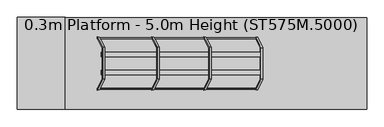
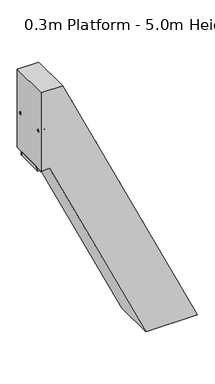
"""IFC4 building model written with IfcOpenShell, lengths in millimetres: proxy geometry, 0.3m Platform - 5.0m Height (ST575M.5000)."""

from ifc_helpers import new_model, si_unit, point, frame, frame_2d, origin, origin_with_axes, place, context, project, spatial, polyline, circle_curve, ellipse_curve, trimmed, segment, composite_curve, outline, extrude, source, transform, mapped, element, save
from ifc_brep_helpers import plane_surface, cylinder_surface, advanced_brep


def proxy_0_3m_platform_5_0m_height_st575m_5000_e23f8f6b(model_context):
    return source(origin(), model_context, "Body", "SolidModel", [
        extrude(outline(polyline([(4750.0, 12.5738111), (4670.0, 49.8784187), (4670.0, 160.2162158), (4750.0, 122.9116031), (4750.0, 12.5738111)])), frame((0.0, 298.5, 0.0), z_axis=(0.0, 1.0, 0.0), x_axis=(0.0, 0.0, 1.0)), (0.0, 0.0, 1.0), 6.0),
        extrude(outline(polyline([(4750.0, 12.5738111), (4670.0, 49.8784187), (4670.0, 160.2162158), (4750.0, 122.9116031), (4750.0, 12.5738111)])), frame((0.0, -304.5, 0.0), z_axis=(0.0, 1.0, 0.0), x_axis=(0.0, 0.0, 1.0)), (0.0, 0.0, 1.0), 6.0),
        extrude(outline(polyline([(4750.0, 19.7457674), (4712.0999991, 37.4188256), (4712.0999991, 39.6255814), (4747.0, 23.351446), (4747.0, 122.1037703), (4712.0999991, 138.3779079), (4712.0999991, 140.5846638), (4750.0, 122.9116031), (4750.0, 102.483862), (4749.2749538, 102.1457674), (4750.0, 101.8076728), (4750.0, 81.883862), (4749.2749538, 81.5457674), (4750.0, 81.2076728), (4750.0, 61.283862), (4749.2749538, 60.9457674), (4750.0, 60.6076728), (4750.0, 40.683862), (4749.2749538, 40.3457674), (4750.0, 40.0076728), (4750.0, 19.7457674)])), frame((0.0, -298.5, 0.0), z_axis=(0.0, 1.0, 0.0), x_axis=(0.0, 0.0, 1.0)), (0.0, 0.0, 1.0), 597.0),
        extrude(outline(polyline([(4500.0, 129.1524104), (4420.0, 166.457018), (4420.0, 276.7948151), (4500.0, 239.4902024), (4500.0, 129.1524104)])), frame((0.0, 298.5, 0.0), z_axis=(0.0, 1.0, 0.0), x_axis=(0.0, 0.0, 1.0)), (0.0, 0.0, 1.0), 6.0),
        extrude(outline(polyline([(4500.0, 129.1524104), (4420.0, 166.457018), (4420.0, 276.7948151), (4500.0, 239.4902024), (4500.0, 129.1524104)])), frame((0.0, -304.5, 0.0), z_axis=(0.0, 1.0, 0.0), x_axis=(0.0, 0.0, 1.0)), (0.0, 0.0, 1.0), 6.0),
        extrude(outline(polyline([(4500.0, 136.3243667), (4462.0999991, 153.9974249), (4462.0999991, 156.2041807), (4497.0, 139.9300453), (4497.0, 238.6823695), (4462.0999991, 254.9565072), (4462.0999991, 257.1632631), (4500.0, 239.4902024), (4500.0, 219.0624613), (4499.2749538, 218.7243667), (4500.0, 218.3862721), (4500.0, 198.4624613), (4499.2749538, 198.1243667), (4500.0, 197.7862721), (4500.0, 177.8624613), (4499.2749538, 177.5243667), (4500.0, 177.1862721), (4500.0, 157.2624613), (4499.2749538, 156.9243667), (4500.0, 156.5862721), (4500.0, 136.3243667)])), frame((0.0, -298.5, 0.0), z_axis=(0.0, 1.0, 0.0), x_axis=(0.0, 0.0, 1.0)), (0.0, 0.0, 1.0), 597.0),
        extrude(outline(polyline([(4250.0, 245.7310097), (4170.0, 283.0356173), (4170.0, 393.3734144), (4250.0, 356.0688017), (4250.0, 245.7310097)])), frame((0.0, 298.5, 0.0), z_axis=(0.0, 1.0, 0.0), x_axis=(0.0, 0.0, 1.0)), (0.0, 0.0, 1.0), 6.0),
        extrude(outline(polyline([(4250.0, 245.7310097), (4170.0, 283.0356173), (4170.0, 393.3734144), (4250.0, 356.0688017), (4250.0, 245.7310097)])), frame((0.0, -304.5, 0.0), z_axis=(0.0, 1.0, 0.0), x_axis=(0.0, 0.0, 1.0)), (0.0, 0.0, 1.0), 6.0),
        extrude(outline(polyline([(4250.0, 252.902966), (4212.0999991, 270.5760242), (4212.0999991, 272.78278), (4247.0, 256.5086445), (4247.0, 355.2609688), (4212.0999991, 371.5351065), (4212.0999991, 373.7418623), (4250.0, 356.0688017), (4250.0, 335.6410605), (4249.2749538, 335.302966), (4250.0, 334.9648714), (4250.0, 315.0410605), (4249.2749538, 314.702966), (4250.0, 314.3648714), (4250.0, 294.4410605), (4249.2749538, 294.102966), (4250.0, 293.7648714), (4250.0, 273.8410605), (4249.2749538, 273.502966), (4250.0, 273.1648714), (4250.0, 252.902966)])), frame((0.0, -298.5, 0.0), z_axis=(0.0, 1.0, 0.0), x_axis=(0.0, 0.0, 1.0)), (0.0, 0.0, 1.0), 597.0),
        extrude(outline(polyline([(4000.0, 362.309609), (3920.0, 399.6142166), (3920.0, 509.9520136), (4000.0, 472.647401), (4000.0, 362.309609)])), frame((0.0, 298.5, 0.0), z_axis=(0.0, 1.0, 0.0), x_axis=(0.0, 0.0, 1.0)), (0.0, 0.0, 1.0), 6.0),
        extrude(outline(polyline([(4000.0, 362.309609), (3920.0, 399.6142166), (3920.0, 509.9520136), (4000.0, 472.647401), (4000.0, 362.309609)])), frame((0.0, -304.5, 0.0), z_axis=(0.0, 1.0, 0.0), x_axis=(0.0, 0.0, 1.0)), (0.0, 0.0, 1.0), 6.0),
        extrude(outline(polyline([(4000.0, 369.4815653), (3962.0999991, 387.1546235), (3962.0999991, 389.3613793), (3997.0, 373.0872438), (3997.0, 471.8395681), (3962.0999991, 488.1137058), (3962.0999991, 490.3204616), (4000.0, 472.647401), (4000.0, 452.2196598), (3999.2749538, 451.8815653), (4000.0, 451.5434707), (4000.0, 431.6196598), (3999.2749538, 431.2815653), (4000.0, 430.9434707), (4000.0, 411.0196598), (3999.2749538, 410.6815653), (4000.0, 410.3434707), (4000.0, 390.4196598), (3999.2749538, 390.0815653), (4000.0, 389.7434707), (4000.0, 369.4815653)])), frame((0.0, -298.5, 0.0), z_axis=(0.0, 1.0, 0.0), x_axis=(0.0, 0.0, 1.0)), (0.0, 0.0, 1.0), 597.0),
        extrude(outline(polyline([(3750.0, 478.8882083), (3670.0, 516.1928159), (3670.0, 626.5306129), (3750.0, 589.2260003), (3750.0, 478.8882083)])), frame((0.0, 298.5, 0.0), z_axis=(0.0, 1.0, 0.0), x_axis=(0.0, 0.0, 1.0)), (0.0, 0.0, 1.0), 6.0),
        extrude(outline(polyline([(3750.0, 478.8882083), (3670.0, 516.1928159), (3670.0, 626.5306129), (3750.0, 589.2260003), (3750.0, 478.8882083)])), frame((0.0, -304.5, 0.0), z_axis=(0.0, 1.0, 0.0), x_axis=(0.0, 0.0, 1.0)), (0.0, 0.0, 1.0), 6.0),
        extrude(outline(polyline([(3750.0, 486.0601646), (3712.0999991, 503.7332228), (3712.0999991, 505.9399786), (3747.0, 489.6658431), (3747.0, 588.4181674), (3712.0999991, 604.6923051), (3712.0999991, 606.8990609), (3750.0, 589.2260003), (3750.0, 568.7982591), (3749.2749538, 568.4601646), (3750.0, 568.12207), (3750.0, 548.1982591), (3749.2749538, 547.8601646), (3750.0, 547.52207), (3750.0, 527.5982591), (3749.2749538, 527.2601646), (3750.0, 526.92207), (3750.0, 506.9982591), (3749.2749538, 506.6601646), (3750.0, 506.32207), (3750.0, 486.0601646)])), frame((0.0, -298.5, 0.0), z_axis=(0.0, 1.0, 0.0), x_axis=(0.0, 0.0, 1.0)), (0.0, 0.0, 1.0), 597.0),
        extrude(outline(polyline([(3500.0, 595.4668075), (3420.0, 632.7714151), (3420.0, 743.1092122), (3500.0, 705.8045996), (3500.0, 595.4668075)])), frame((0.0, 298.5, 0.0), z_axis=(0.0, 1.0, 0.0), x_axis=(0.0, 0.0, 1.0)), (0.0, 0.0, 1.0), 6.0),
        extrude(outline(polyline([(3500.0, 595.4668075), (3420.0, 632.7714151), (3420.0, 743.1092122), (3500.0, 705.8045996), (3500.0, 595.4668075)])), frame((0.0, -304.5, 0.0), z_axis=(0.0, 1.0, 0.0), x_axis=(0.0, 0.0, 1.0)), (0.0, 0.0, 1.0), 6.0),
        extrude(outline(polyline([(3500.0, 602.6387638), (3462.0999991, 620.3118221), (3462.0999991, 622.5185779), (3497.0, 606.2444424), (3497.0, 704.9967667), (3462.0999991, 721.2709044), (3462.0999991, 723.4776602), (3500.0, 705.8045996), (3500.0, 685.3768584), (3499.2749538, 685.0387638), (3500.0, 684.7006693), (3500.0, 664.7768584), (3499.2749538, 664.4387638), (3500.0, 664.1006693), (3500.0, 644.1768584), (3499.2749538, 643.8387638), (3500.0, 643.5006693), (3500.0, 623.5768584), (3499.2749538, 623.2387638), (3500.0, 622.9006693), (3500.0, 602.6387638)])), frame((0.0, -298.5, 0.0), z_axis=(0.0, 1.0, 0.0), x_axis=(0.0, 0.0, 1.0)), (0.0, 0.0, 1.0), 597.0),
        extrude(outline(polyline([(3250.0, 712.0454068), (3170.0, 749.3500144), (3170.0, 859.6878115), (3250.0, 822.3831988), (3250.0, 712.0454068)])), frame((0.0, 298.5, 0.0), z_axis=(0.0, 1.0, 0.0), x_axis=(0.0, 0.0, 1.0)), (0.0, 0.0, 1.0), 6.0),
        extrude(outline(polyline([(3250.0, 712.0454068), (3170.0, 749.3500144), (3170.0, 859.6878115), (3250.0, 822.3831988), (3250.0, 712.0454068)])), frame((0.0, -304.5, 0.0), z_axis=(0.0, 1.0, 0.0), x_axis=(0.0, 0.0, 1.0)), (0.0, 0.0, 1.0), 6.0),
        extrude(outline(polyline([(3250.0, 719.2173631), (3212.0999991, 736.8904214), (3212.0999991, 739.0971772), (3247.0, 722.8230417), (3247.0, 821.575366), (3212.0999991, 837.8495037), (3212.0999991, 840.0562595), (3250.0, 822.3831988), (3250.0, 801.9554577), (3249.2749538, 801.6173631), (3250.0, 801.2792686), (3250.0, 781.3554577), (3249.2749538, 781.0173631), (3250.0, 780.6792686), (3250.0, 760.7554577), (3249.2749538, 760.4173631), (3250.0, 760.0792686), (3250.0, 740.1554577), (3249.2749538, 739.8173631), (3250.0, 739.4792686), (3250.0, 719.2173631)])), frame((0.0, -298.5, 0.0), z_axis=(0.0, 1.0, 0.0), x_axis=(0.0, 0.0, 1.0)), (0.0, 0.0, 1.0), 597.0),
        extrude(outline(polyline([(3000.0, 828.6240061), (2920.0, 865.9286137), (2920.0, 976.2664108), (3000.0, 938.9617981), (3000.0, 828.6240061)])), frame((0.0, 298.5, 0.0), z_axis=(0.0, 1.0, 0.0), x_axis=(0.0, 0.0, 1.0)), (0.0, 0.0, 1.0), 6.0),
        extrude(outline(polyline([(3000.0, 828.6240061), (2920.0, 865.9286137), (2920.0, 976.2664108), (3000.0, 938.9617981), (3000.0, 828.6240061)])), frame((0.0, -304.5, 0.0), z_axis=(0.0, 1.0, 0.0), x_axis=(0.0, 0.0, 1.0)), (0.0, 0.0, 1.0), 6.0),
        extrude(outline(polyline([(3000.0, 835.7959624), (2962.0999991, 853.4690207), (2962.0999991, 855.6757764), (2997.0, 839.401641), (2997.0, 938.1539653), (2962.0999991, 954.4281029), (2962.0999991, 956.6348588), (3000.0, 938.9617981), (3000.0, 918.534057), (2999.2749538, 918.1959624), (3000.0, 917.8578678), (3000.0, 897.934057), (2999.2749538, 897.5959624), (3000.0, 897.2578678), (3000.0, 877.334057), (2999.2749538, 876.9959624), (3000.0, 876.6578678), (3000.0, 856.734057), (2999.2749538, 856.3959624), (3000.0, 856.0578678), (3000.0, 835.7959624)])), frame((0.0, -298.5, 0.0), z_axis=(0.0, 1.0, 0.0), x_axis=(0.0, 0.0, 1.0)), (0.0, 0.0, 1.0), 597.0),
        extrude(outline(polyline([(2750.0, 945.2026054), (2670.0, 982.507213), (2670.0, 1092.8450101), (2750.0, 1055.5403974), (2750.0, 945.2026054)])), frame((0.0, 298.5, 0.0), z_axis=(0.0, 1.0, 0.0), x_axis=(0.0, 0.0, 1.0)), (0.0, 0.0, 1.0), 6.0),
        extrude(outline(polyline([(2750.0, 945.2026054), (2670.0, 982.507213), (2670.0, 1092.8450101), (2750.0, 1055.5403974), (2750.0, 945.2026054)])), frame((0.0, -304.5, 0.0), z_axis=(0.0, 1.0, 0.0), x_axis=(0.0, 0.0, 1.0)), (0.0, 0.0, 1.0), 6.0),
        extrude(outline(polyline([(2750.0, 952.3745617), (2712.0999991, 970.0476199), (2712.0999991, 972.2543757), (2747.0, 955.9802403), (2747.0, 1054.7325646), (2712.0999991, 1071.0067022), (2712.0999991, 1073.2134581), (2750.0, 1055.5403974), (2750.0, 1035.1126563), (2749.2749538, 1034.7745617), (2750.0, 1034.4364671), (2750.0, 1014.5126563), (2749.2749538, 1014.1745617), (2750.0, 1013.8364671), (2750.0, 993.9126563), (2749.2749538, 993.5745617), (2750.0, 993.2364671), (2750.0, 973.3126563), (2749.2749538, 972.9745617), (2750.0, 972.6364671), (2750.0, 952.3745617)])), frame((0.0, -298.5, 0.0), z_axis=(0.0, 1.0, 0.0), x_axis=(0.0, 0.0, 1.0)), (0.0, 0.0, 1.0), 597.0),
        extrude(outline(polyline([(2500.0, 1061.7812047), (2420.0, 1099.0858123), (2420.0, 1209.4236094), (2500.0, 1172.1189967), (2500.0, 1061.7812047)])), frame((0.0, 298.5, 0.0), z_axis=(0.0, 1.0, 0.0), x_axis=(0.0, 0.0, 1.0)), (0.0, 0.0, 1.0), 6.0),
        extrude(outline(polyline([(2500.0, 1061.7812047), (2420.0, 1099.0858123), (2420.0, 1209.4236094), (2500.0, 1172.1189967), (2500.0, 1061.7812047)])), frame((0.0, -304.5, 0.0), z_axis=(0.0, 1.0, 0.0), x_axis=(0.0, 0.0, 1.0)), (0.0, 0.0, 1.0), 6.0),
        extrude(outline(polyline([(2500.0, 1068.953161), (2462.0999991, 1086.6262192), (2462.0999991, 1088.832975), (2497.0, 1072.5588396), (2497.0, 1171.3111638), (2462.0999991, 1187.5853015), (2462.0999991, 1189.7920574), (2500.0, 1172.1189967), (2500.0, 1151.6912556), (2499.2749538, 1151.353161), (2500.0, 1151.0150664), (2500.0, 1131.0912556), (2499.2749538, 1130.753161), (2500.0, 1130.4150664), (2500.0, 1110.4912556), (2499.2749538, 1110.153161), (2500.0, 1109.8150664), (2500.0, 1089.8912556), (2499.2749538, 1089.553161), (2500.0, 1089.2150664), (2500.0, 1068.953161)])), frame((0.0, -298.5, 0.0), z_axis=(0.0, 1.0, 0.0), x_axis=(0.0, 0.0, 1.0)), (0.0, 0.0, 1.0), 597.0),
        extrude(outline(polyline([(2250.0, 1178.359804), (2170.0, 1215.6644116), (2170.0, 1326.0022087), (2250.0, 1288.697596), (2250.0, 1178.359804)])), frame((0.0, 298.5, 0.0), z_axis=(0.0, 1.0, 0.0), x_axis=(0.0, 0.0, 1.0)), (0.0, 0.0, 1.0), 6.0),
        extrude(outline(polyline([(2250.0, 1178.359804), (2170.0, 1215.6644116), (2170.0, 1326.0022087), (2250.0, 1288.697596), (2250.0, 1178.359804)])), frame((0.0, -304.5, 0.0), z_axis=(0.0, 1.0, 0.0), x_axis=(0.0, 0.0, 1.0)), (0.0, 0.0, 1.0), 6.0),
        extrude(outline(polyline([(2250.0, 1185.5317603), (2212.0999991, 1203.2048185), (2212.0999991, 1205.4115743), (2247.0, 1189.1374388), (2247.0, 1287.8897631), (2212.0999991, 1304.1639008), (2212.0999991, 1306.3706566), (2250.0, 1288.697596), (2250.0, 1268.2698548), (2249.2749538, 1267.9317603), (2250.0, 1267.5936657), (2250.0, 1247.6698548), (2249.2749538, 1247.3317603), (2250.0, 1246.9936657), (2250.0, 1227.0698548), (2249.2749538, 1226.7317603), (2250.0, 1226.3936657), (2250.0, 1206.4698548), (2249.2749538, 1206.1317603), (2250.0, 1205.7936657), (2250.0, 1185.5317603)])), frame((0.0, -298.5, 0.0), z_axis=(0.0, 1.0, 0.0), x_axis=(0.0, 0.0, 1.0)), (0.0, 0.0, 1.0), 597.0),
        extrude(outline(polyline([(2000.0, 1294.9384033), (1920.0, 1332.2430109), (1920.0, 1442.5808079), (2000.0, 1405.2761953), (2000.0, 1294.9384033)])), frame((0.0, 298.5, 0.0), z_axis=(0.0, 1.0, 0.0), x_axis=(0.0, 0.0, 1.0)), (0.0, 0.0, 1.0), 6.0),
        extrude(outline(polyline([(2000.0, 1294.9384033), (1920.0, 1332.2430109), (1920.0, 1442.5808079), (2000.0, 1405.2761953), (2000.0, 1294.9384033)])), frame((0.0, -304.5, 0.0), z_axis=(0.0, 1.0, 0.0), x_axis=(0.0, 0.0, 1.0)), (0.0, 0.0, 1.0), 6.0),
        extrude(outline(polyline([(2000.0, 1302.1103596), (1962.0999991, 1319.7834178), (1962.0999991, 1321.9901736), (1997.0, 1305.7160381), (1997.0, 1404.4683624), (1962.0999991, 1420.7425001), (1962.0999991, 1422.9492559), (2000.0, 1405.2761953), (2000.0, 1384.8484541), (1999.2749538, 1384.5103596), (2000.0, 1384.172265), (2000.0, 1364.2484541), (1999.2749538, 1363.9103596), (2000.0, 1363.572265), (2000.0, 1343.6484541), (1999.2749538, 1343.3103596), (2000.0, 1342.972265), (2000.0, 1323.0484541), (1999.2749538, 1322.7103596), (2000.0, 1322.372265), (2000.0, 1302.1103596)])), frame((0.0, -298.5, 0.0), z_axis=(0.0, 1.0, 0.0), x_axis=(0.0, 0.0, 1.0)), (0.0, 0.0, 1.0), 597.0),
        extrude(outline(polyline([(1750.0, 1411.5170026), (1670.0, 1448.8216102), (1670.0, 1559.1594072), (1750.0, 1521.8547946), (1750.0, 1411.5170026)])), frame((0.0, 298.5, 0.0), z_axis=(0.0, 1.0, 0.0), x_axis=(0.0, 0.0, 1.0)), (0.0, 0.0, 1.0), 6.0),
        extrude(outline(polyline([(1750.0, 1411.5170026), (1670.0, 1448.8216102), (1670.0, 1559.1594072), (1750.0, 1521.8547946), (1750.0, 1411.5170026)])), frame((0.0, -304.5, 0.0), z_axis=(0.0, 1.0, 0.0), x_axis=(0.0, 0.0, 1.0)), (0.0, 0.0, 1.0), 6.0),
        extrude(outline(polyline([(1750.0, 1418.6889589), (1712.0999991, 1436.3620171), (1712.0999991, 1438.5687729), (1747.0, 1422.2946374), (1747.0, 1521.0469617), (1712.0999991, 1537.3210994), (1712.0999991, 1539.5278552), (1750.0, 1521.8547946), (1750.0, 1501.4270534), (1749.2749538, 1501.0889589), (1750.0, 1500.7508643), (1750.0, 1480.8270534), (1749.2749538, 1480.4889589), (1750.0, 1480.1508643), (1750.0, 1460.2270534), (1749.2749538, 1459.8889589), (1750.0, 1459.5508643), (1750.0, 1439.6270534), (1749.2749538, 1439.2889589), (1750.0, 1438.9508643), (1750.0, 1418.6889589)])), frame((0.0, -298.5, 0.0), z_axis=(0.0, 1.0, 0.0), x_axis=(0.0, 0.0, 1.0)), (0.0, 0.0, 1.0), 597.0),
        extrude(outline(polyline([(1500.0, 1528.0956018), (1420.0, 1565.4002094), (1420.0, 1675.7380065), (1500.0, 1638.4333939), (1500.0, 1528.0956018)])), frame((0.0, 298.5, 0.0), z_axis=(0.0, 1.0, 0.0), x_axis=(0.0, 0.0, 1.0)), (0.0, 0.0, 1.0), 6.0),
        extrude(outline(polyline([(1500.0, 1528.0956018), (1420.0, 1565.4002094), (1420.0, 1675.7380065), (1500.0, 1638.4333939), (1500.0, 1528.0956018)])), frame((0.0, -304.5, 0.0), z_axis=(0.0, 1.0, 0.0), x_axis=(0.0, 0.0, 1.0)), (0.0, 0.0, 1.0), 6.0),
        extrude(outline(polyline([(1500.0, 1535.2675581), (1462.0999991, 1552.9406164), (1462.0999991, 1555.1473722), (1497.0, 1538.8732367), (1497.0, 1637.625561), (1462.0999991, 1653.8996987), (1462.0999991, 1656.1064545), (1500.0, 1638.4333939), (1500.0, 1618.0056527), (1499.2749538, 1617.6675581), (1500.0, 1617.3294636), (1500.0, 1597.4056527), (1499.2749538, 1597.0675581), (1500.0, 1596.7294636), (1500.0, 1576.8056527), (1499.2749538, 1576.4675581), (1500.0, 1576.1294636), (1500.0, 1556.2056527), (1499.2749538, 1555.8675581), (1500.0, 1555.5294636), (1500.0, 1535.2675581)])), frame((0.0, -298.5, 0.0), z_axis=(0.0, 1.0, 0.0), x_axis=(0.0, 0.0, 1.0)), (0.0, 0.0, 1.0), 597.0),
        extrude(outline(polyline([(1250.0, 1644.6742011), (1170.0, 1681.9788087), (1170.0, 1792.3166058), (1250.0, 1755.0119931), (1250.0, 1644.6742011)])), frame((0.0, 298.5, 0.0), z_axis=(0.0, 1.0, 0.0), x_axis=(0.0, 0.0, 1.0)), (0.0, 0.0, 1.0), 6.0),
        extrude(outline(polyline([(1250.0, 1644.6742011), (1170.0, 1681.9788087), (1170.0, 1792.3166058), (1250.0, 1755.0119931), (1250.0, 1644.6742011)])), frame((0.0, -304.5, 0.0), z_axis=(0.0, 1.0, 0.0), x_axis=(0.0, 0.0, 1.0)), (0.0, 0.0, 1.0), 6.0),
        extrude(outline(polyline([(1250.0, 1651.8461574), (1212.0999991, 1669.5192157), (1212.0999991, 1671.7259715), (1247.0, 1655.451836), (1247.0, 1754.2041603), (1212.0999991, 1770.478298), (1212.0999991, 1772.6850538), (1250.0, 1755.0119931), (1250.0, 1734.584252), (1249.2749538, 1734.2461574), (1250.0, 1733.9080629), (1250.0, 1713.984252), (1249.2749538, 1713.6461574), (1250.0, 1713.3080629), (1250.0, 1693.384252), (1249.2749538, 1693.0461574), (1250.0, 1692.7080629), (1250.0, 1672.784252), (1249.2749538, 1672.4461574), (1250.0, 1672.1080629), (1250.0, 1651.8461574)])), frame((0.0, -298.5, 0.0), z_axis=(0.0, 1.0, 0.0), x_axis=(0.0, 0.0, 1.0)), (0.0, 0.0, 1.0), 597.0),
        extrude(outline(polyline([(1000.0, 1761.2528004), (920.0, 1798.557408), (920.0, 1908.8952051), (1000.0, 1871.5905924), (1000.0, 1761.2528004)])), frame((0.0, 298.5, 0.0), z_axis=(0.0, 1.0, 0.0), x_axis=(0.0, 0.0, 1.0)), (0.0, 0.0, 1.0), 6.0),
        extrude(outline(polyline([(1000.0, 1761.2528004), (920.0, 1798.557408), (920.0, 1908.8952051), (1000.0, 1871.5905924), (1000.0, 1761.2528004)])), frame((0.0, -304.5, 0.0), z_axis=(0.0, 1.0, 0.0), x_axis=(0.0, 0.0, 1.0)), (0.0, 0.0, 1.0), 6.0),
        extrude(outline(polyline([(1000.0, 1768.4247567), (962.0999991, 1786.097815), (962.0999991, 1788.3045707), (997.0, 1772.0304353), (997.0, 1870.7827596), (962.0999991, 1887.0568972), (962.0999991, 1889.2636531), (1000.0, 1871.5905924), (1000.0, 1851.1628513), (999.2749538, 1850.8247567), (1000.0, 1850.4866621), (1000.0, 1830.5628513), (999.2749538, 1830.2247567), (1000.0, 1829.8866621), (1000.0, 1809.9628513), (999.2749538, 1809.6247567), (1000.0, 1809.2866621), (1000.0, 1789.3628513), (999.2749538, 1789.0247567), (1000.0, 1788.6866621), (1000.0, 1768.4247567)])), frame((0.0, -298.5, 0.0), z_axis=(0.0, 1.0, 0.0), x_axis=(0.0, 0.0, 1.0)), (0.0, 0.0, 1.0), 597.0),
        extrude(outline(polyline([(750.0, 1877.8313997), (670.0, 1915.1360073), (670.0, 2025.4738044), (750.0, 1988.1691917), (750.0, 1877.8313997)])), frame((0.0, 298.5, 0.0), z_axis=(0.0, 1.0, 0.0), x_axis=(0.0, 0.0, 1.0)), (0.0, 0.0, 1.0), 6.0),
        extrude(outline(polyline([(750.0, 1877.8313997), (670.0, 1915.1360073), (670.0, 2025.4738044), (750.0, 1988.1691917), (750.0, 1877.8313997)])), frame((0.0, -304.5, 0.0), z_axis=(0.0, 1.0, 0.0), x_axis=(0.0, 0.0, 1.0)), (0.0, 0.0, 1.0), 6.0),
        extrude(outline(polyline([(750.0, 1885.003356), (712.0999991, 1902.6764142), (712.0999991, 1904.88317), (747.0, 1888.6090346), (747.0, 1987.3613589), (712.0999991, 2003.6354965), (712.0999991, 2005.8422524), (750.0, 1988.1691917), (750.0, 1967.7414506), (749.2749538, 1967.403356), (750.0, 1967.0652614), (750.0, 1947.1414506), (749.2749538, 1946.803356), (750.0, 1946.4652614), (750.0, 1926.5414506), (749.2749538, 1926.203356), (750.0, 1925.8652614), (750.0, 1905.9414506), (749.2749538, 1905.603356), (750.0, 1905.2652614), (750.0, 1885.003356)])), frame((0.0, -298.5, 0.0), z_axis=(0.0, 1.0, 0.0), x_axis=(0.0, 0.0, 1.0)), (0.0, 0.0, 1.0), 597.0),
        extrude(outline(polyline([(500.0, 1994.409999), (420.0, 2031.7146066), (420.0, 2142.0524037), (500.0, 2104.747791), (500.0, 1994.409999)])), frame((0.0, 298.5, 0.0), z_axis=(0.0, 1.0, 0.0), x_axis=(0.0, 0.0, 1.0)), (0.0, 0.0, 1.0), 6.0),
        extrude(outline(polyline([(500.0, 1994.409999), (420.0, 2031.7146066), (420.0, 2142.0524037), (500.0, 2104.747791), (500.0, 1994.409999)])), frame((0.0, -304.5, 0.0), z_axis=(0.0, 1.0, 0.0), x_axis=(0.0, 0.0, 1.0)), (0.0, 0.0, 1.0), 6.0),
        extrude(outline(polyline([(500.0, 2001.5819553), (462.0999991, 2019.2550135), (462.0999991, 2021.4617693), (497.0, 2005.1876339), (497.0, 2103.9399581), (462.0999991, 2120.2140958), (462.0999991, 2122.4208517), (500.0, 2104.747791), (500.0, 2084.3200499), (499.2749538, 2083.9819553), (500.0, 2083.6438607), (500.0, 2063.7200499), (499.2749538, 2063.3819553), (500.0, 2063.0438607), (500.0, 2043.1200499), (499.2749538, 2042.7819553), (500.0, 2042.4438607), (500.0, 2022.5200499), (499.2749538, 2022.1819553), (500.0, 2021.8438607), (500.0, 2001.5819553)])), frame((0.0, -298.5, 0.0), z_axis=(0.0, 1.0, 0.0), x_axis=(0.0, 0.0, 1.0)), (0.0, 0.0, 1.0), 597.0),
        extrude(outline(polyline([(0.0, -6.0), (0.0, 0.0), (50.0, 0.0), (50.0, -6.0), (0.0, -6.0)])), frame((1301.5086641, 296.0, 1938.5821407), z_axis=(-5.264905361956895e-06, 0.0, 0.9999999999861405), x_axis=(0.0, -1.0, 0.0)), (0.0, 0.0, 1.0), 120.0),
        extrude(outline(polyline([(2000.5826938, 1406.5541818), (2058.5825514, 1379.5080323), (2058.5821407, 1301.5080323), (2000.5821407, 1301.5083377), (2000.5826938, 1406.5541818)])), frame((0.0, 252.0, 0.0), z_axis=(0.0, 1.0, 0.0), x_axis=(0.0, 0.0, 1.0)), (0.0, 0.0, 1.0), 38.0),
        extrude(outline(polyline([(0.0, -6.0), (0.0, 0.0), (50.0, 0.0), (50.0, -6.0), (0.0, -6.0)])), frame((1295.5086641, -296.0, 1938.5821091), z_axis=(-5.264905359569916e-06, 0.0, 0.9999999999861404), x_axis=(0.0, 1.0, 0.0)), (0.0, 0.0, 1.0), 120.0),
        extrude(outline(polyline([(2000.5826938, 1406.5541818), (2058.5825514, 1379.5080323), (2058.5821407, 1301.5080323), (2000.5821407, 1301.5083377), (2000.5826938, 1406.5541818)])), frame((0.0, -290.0, 0.0), z_axis=(0.0, 1.0, 0.0), x_axis=(0.0, 0.0, 1.0)), (0.0, 0.0, 1.0), 38.0),
        extrude(outline(polyline([(0.0, -590.0), (0.0, 0.0), (2.0, 0.0), (2.0, -590.0), (0.0, -590.0)])), frame((2360.3227343, -295.0, 49.8945417), z_axis=(-0.4226230333595624, 0.0, 0.90630556197894), x_axis=(-0.90630556197894, 0.0, -0.4226230333595624)), (0.0, 0.0, 1.0), 2240.0),
        extrude(outline(polyline([(2249.9999999, 0.0), (2249.9999999, -600.0), (0.0, -600.0), (0.0, 0.0), (2249.9999999, 0.0)]), holes=[polyline([(1095.9999999, -58.0), (58.0, -58.0), (58.0, -542.0), (1095.9999999, -542.0), (1095.9999999, -58.0)]), polyline([(1154.0, -542.0), (2191.9999999, -542.0), (2191.9999999, -58.0), (1154.0, -58.0), (1154.0, -542.0)])]), frame((1375.281802, 300.0, 2067.645607), z_axis=(0.90630556197894, 0.0, 0.4226230333595624), x_axis=(0.4226230333595624, 0.0, -0.90630556197894)), (0.0, 0.0, 1.0), 38.0),
        extrude(outline(polyline([(0.0, 0.0), (80.0000001, 0.0), (80.0000001, -6.0), (6.0, -6.0), (6.0, -50.0), (0.0, -50.0), (0.0, 0.0)])), frame((2258.5639417, 343.0, 173.4669825), z_axis=(-0.4226230333595624, 0.0, 0.90630556197894), x_axis=(-0.90630556197894, 0.0, -0.4226230333595624)), (0.0, 0.0, 1.0), 50.0),
        extrude(outline(polyline([(0.0, 686.0), (0.0, 736.0), (6.0, 736.0), (6.0, 692.0), (80.0000001, 692.0), (80.0000001, 686.0), (0.0, 686.0)])), frame((2258.5639417, 343.0, 173.4669825), z_axis=(-0.4226230333595624, 0.0, 0.90630556197894), x_axis=(-0.90630556197894, 0.0, -0.4226230333595624)), (0.0, 0.0, 1.0), 50.0),
        extrude(outline(polyline([(-100.0, 0.0), (0.0, 0.0), (0.0, -50.0), (-6.0, -50.0), (-6.0, -6.0), (-100.0, -6.0), (-100.0, 0.0)])), frame((2258.5639417, -300.0, 173.4669825), z_axis=(-0.4226230333595624, 0.0, 0.90630556197894), x_axis=(0.0, 1.0, 0.0)), (0.0, 0.0, 1.0), 50.0),
        extrude(outline(polyline([(700.0, 0.0), (700.0, -6.0), (606.0, -6.0), (606.0, -50.0), (600.0, -50.0), (600.0, 0.0), (700.0, 0.0)])), frame((2258.5639417, -300.0, 173.4669825), z_axis=(-0.4226230333595624, 0.0, 0.90630556197894), x_axis=(0.0, 1.0, 0.0)), (0.0, 0.0, 1.0), 50.0),
        extrude(outline(polyline([(1117.9756465, 1862.2614895), (1132.3705659, 1908.5112062), (1038.1147875, 1952.4640017), (1011.9378957, 1911.7083844), (989.2802567, 1922.2739603), (993.506487, 1931.3370159), (1008.007376, 1924.5750474), (1034.1842678, 1965.3306646), (1144.7535463, 1913.7706545), (1130.3586269, 1867.5209378), (1144.8595159, 1860.7589693), (1140.6332855, 1851.6959137), (1117.9756465, 1862.2614895)])), frame((0.0, 201.0, 0.0), z_axis=(0.0, 1.0, 0.0), x_axis=(0.0, 0.0, 1.0)), (0.0, 0.0, 1.0), 44.0),
        extrude(outline(polyline([(1117.9756465, 1862.2614895), (1132.3705659, 1908.5112062), (1038.1147875, 1952.4640017), (1011.9378957, 1911.7083844), (989.2802567, 1922.2739603), (993.506487, 1931.3370159), (1008.007376, 1924.5750474), (1034.1842678, 1965.3306646), (1144.7535463, 1913.7706545), (1130.3586269, 1867.5209378), (1144.8595159, 1860.7589693), (1140.6332855, 1851.6959137), (1117.9756465, 1862.2614895)])), frame((0.0, -245.0, 0.0), z_axis=(0.0, 1.0, 0.0), x_axis=(0.0, 0.0, 1.0)), (0.0, 0.0, 1.0), 44.0),
        extrude(outline(polyline([(-573.915974, 0.0), (0.0, 0.0), (168.0, -100.0), (268.0, -275.0), (268.0, -621.0), (168.0, -796.0), (0.0, -896.0), (-573.915974, -896.0), (-626.9765801, -845.0), (-710.8030304, -845.0), (-710.8030304, -839.0), (-624.5606061, -839.0), (-571.5, -890.0), (-1.5933867, -890.0), (163.6024049, -791.6024049), (262.0, -619.4066134), (262.0, -276.5933866), (163.6024049, -104.3975951), (-1.5933867, -6.0), (-571.5, -6.0), (-624.5606061, -57.0), (-710.8030304, -57.0), (-710.8030304, -51.0), (-626.9765801, -51.0), (-573.915974, 0.0)])), frame((304.1217502, 448.0, 6128.9318413), z_axis=(-0.4226230333595624, 0.0, 0.90630556197894), x_axis=(0.90630556197894, 0.0, 0.4226230333595624)), (0.0, 0.0, 1.0), 50.0),
        extrude(outline(polyline([(-6.0, 0.0), (0.0, 0.0), (0.0, -77.584026), (99.0, -180.584026), (99.0, -827.0), (-1.0, -995.0), (-176.0, -1095.0), (-522.0, -1095.0), (-697.0, -995.0), (-797.0, -827.0), (-797.0, -180.584026), (-698.0, -77.584026), (-698.0, 0.0), (-692.0, 0.0), (-692.0, -80.0), (-791.0, -183.0000001), (-791.0, -825.4066134), (-692.6024049, -990.6024049), (-520.4066134, -1089.0), (-177.5933866, -1089.0), (-5.3975951, -990.6024049), (93.0, -825.4066134), (93.0, -183.0000001), (-6.0, -80.0), (-6.0, 0.0)])), frame((708.3248165, 349.0, 3305.3008676), z_axis=(-0.4226230333595624, 0.0, 0.90630556197894), x_axis=(0.0, 1.0, 0.0)), (0.0, 0.0, 1.0), 50.0),
        extrude(outline(polyline([(-6.0, 0.0), (0.0, 0.0), (0.0, -77.5840259), (99.0, -180.5840259), (99.0, -827.0), (-1.0, -994.9999999), (-176.0, -1094.9999999), (-522.0, -1094.9999999), (-697.0, -994.9999999), (-797.0, -827.0), (-797.0, -180.5840259), (-698.0, -77.5840259), (-698.0, 0.0), (-692.0, 0.0), (-692.0, -79.9999999), (-791.0, -183.0), (-791.0, -825.4066134), (-692.6024049, -990.6024048), (-520.4066134, -1089.0), (-177.5933866, -1089.0), (-5.3975951, -990.6024048), (93.0, -825.4066134), (93.0, -183.0), (-6.0, -79.9999999), (-6.0, 0.0)])), frame((1270.370336, 349.0, 2100.0069292), z_axis=(-0.4226230333595624, 0.0, 0.90630556197894), x_axis=(0.0, 1.0, 0.0)), (0.0, 0.0, 1.0), 50.0),
        extrude(outline(polyline([(0.0, 0.0), (50.0, 0.0), (50.0, -12.0), (0.0, -12.0), (0.0, 0.0)])), frame((1686.3645889, 430.0, 2293.9909015), z_axis=(-0.4226230333595624, 0.0, 0.90630556197894), x_axis=(-0.90630556197894, 0.0, -0.4226230333595624)), (0.0, 0.0, 1.0), 4109.795965),
        extrude(outline(polyline([(-210.0, 0.0), (-160.0, 0.0), (-160.0, -12.0), (-210.0, -12.0), (-210.0, 0.0)])), frame((1686.3645889, 430.0, 2293.9909015), z_axis=(-0.4226230333595624, 0.0, 0.90630556197894), x_axis=(-0.90630556197894, 0.0, -0.4226230333595624)), (0.0, 0.0, 1.0), 4109.795965),
        extrude(outline(polyline([(-630.0, 357.5), (-618.0, 357.5), (-618.0, 307.5), (-630.0, 307.5), (-630.0, 357.5)])), frame((1686.3645889, 430.0, 2293.9909015), z_axis=(-0.4226230333595624, 0.0, 0.90630556197894), x_axis=(-0.90630556197894, 0.0, -0.4226230333595624)), (0.0, 0.0, 1.0), 4109.795965),
        extrude(outline(polyline([(-630.0, 552.5), (-618.0, 552.5), (-618.0, 502.5), (-630.0, 502.5), (-630.0, 552.5)])), frame((1686.3645889, 430.0, 2293.9909015), z_axis=(-0.4226230333595624, 0.0, 0.90630556197894), x_axis=(-0.90630556197894, 0.0, -0.4226230333595624)), (0.0, 0.0, 1.0), 4109.795965),
        extrude(outline(polyline([(-210.0, 872.0), (-160.0, 872.0), (-160.0, 860.0), (-210.0, 860.0), (-210.0, 872.0)])), frame((1686.3645889, 430.0, 2293.9909015), z_axis=(-0.4226230333595624, 0.0, 0.90630556197894), x_axis=(-0.90630556197894, 0.0, -0.4226230333595624)), (0.0, 0.0, 1.0), 4109.795965),
        extrude(outline(polyline([(0.0, 872.0), (50.0, 872.0), (50.0, 860.0), (0.0, 860.0), (0.0, 872.0)])), frame((1686.3645889, 430.0, 2293.9909015), z_axis=(-0.4226230333595624, 0.0, 0.90630556197894), x_axis=(-0.90630556197894, 0.0, -0.4226230333595624)), (0.0, 0.0, 1.0), 4109.795965),
        extrude(outline(polyline([(-416.178252, 29.5287957), (-373.2212406, 3.9417841), (-379.3621233, -6.3678986), (-422.3191349, 19.2191129), (-416.178252, 29.5287957)])), frame((1686.3645889, 430.0, 2293.9909015), z_axis=(-0.4226230333595624, 0.0, 0.90630556197894), x_axis=(-0.90630556197894, 0.0, -0.4226230333595624)), (0.0, 0.0, 1.0), 4109.795965),
        extrude(outline(polyline([(-578.1954412, 161.8104088), (-567.7765236, 167.7640761), (-542.9695766, 124.351919), (-553.3884944, 118.3982517), (-578.1954412, 161.8104088)])), frame((1686.3645889, 430.0, 2293.9909015), z_axis=(-0.4226230333595624, 0.0, 0.90630556197894), x_axis=(-0.90630556197894, 0.0, -0.4226230333595624)), (0.0, 0.0, 1.0), 4109.795965),
        extrude(outline(polyline([(-416.178252, 830.4712043), (-422.3191349, 840.7808871), (-379.3621233, 866.3678986), (-373.2212406, 856.0582159), (-416.178252, 830.4712043)])), frame((1686.3645889, 430.0, 2293.9909015), z_axis=(-0.4226230333595624, 0.0, 0.90630556197894), x_axis=(-0.90630556197894, 0.0, -0.4226230333595624)), (0.0, 0.0, 1.0), 4109.795965),
        extrude(outline(polyline([(-578.1954412, 698.1895912), (-553.3884944, 741.6017483), (-542.9695766, 735.648081), (-567.7765236, 692.2359239), (-578.1954412, 698.1895912)])), frame((1686.3645889, 430.0, 2293.9909015), z_axis=(-0.4226230333595624, 0.0, 0.90630556197894), x_axis=(-0.90630556197894, 0.0, -0.4226230333595624)), (0.0, 0.0, 1.0), 4109.795965),
        extrude(outline(polyline([(-6.0, 0.0), (0.0, 0.0), (0.0, -77.584026), (99.0, -180.584026), (99.0, -827.0), (-1.0, -995.0), (-176.0, -1095.0), (-522.0, -1095.0), (-697.0, -995.0), (-797.0, -827.0), (-797.0, -180.584026), (-698.0, -77.584026), (-698.0, 0.0), (-692.0, 0.0), (-692.0, -80.0), (-791.0, -183.0000001), (-791.0, -825.4066134), (-692.6024049, -990.6024049), (-520.4066134, -1089.0), (-177.5933866, -1089.0), (-5.3975951, -990.6024049), (93.0, -825.4066134), (93.0, -183.0000001), (-6.0, -80.0), (-6.0, 0.0)])), frame((146.2792971, 349.0, 4510.594806), z_axis=(-0.4226230333595624, 0.0, 0.90630556197894), x_axis=(0.0, 1.0, 0.0)), (0.0, 0.0, 1.0), 50.0),
        extrude(outline(polyline([(-0.0541093, 0.0), (0.7582532, 5.9447512), (185.4590012, 5.9447512), (254.8144324, -3.5328109), (254.0020699, -9.4775622), (184.6466388, 0.0), (-0.0541093, 0.0)])), frame((2028.9800072, 375.0, 1079.9826014), z_axis=(-0.4226230333595624, 0.0, 0.90630556197894), x_axis=(-0.8979601844013628, -0.13539374535780632, -0.4187314663932676)), (0.0, 0.0, 1.0), 80.0),
        extrude(outline(polyline([(-0.0541093, 0.0), (0.7582532, 5.9447512), (185.4590013, 5.9447512), (254.8144324, -3.5328109), (254.0020699, -9.4775622), (184.6466388, 0.0), (-0.0541093, 0.0)])), frame((1148.8979046, 375.0, 2967.2988185), z_axis=(-0.4226230333595624, 0.0, 0.90630556197894), x_axis=(-0.8979601844013628, -0.13539374535780632, -0.4187314663932676)), (0.0, 0.0, 1.0), 80.0),
        extrude(outline(polyline([(-0.0541093, 0.0), (0.7582532, 5.9447512), (185.4590013, 5.9447512), (254.8144324, -3.5328109), (254.0020699, -9.4775622), (184.6466389, 0.0), (-0.0541093, 0.0)])), frame((268.8158021, 375.0, 4854.6150355), z_axis=(-0.4226230333595624, 0.0, 0.90630556197894), x_axis=(-0.8979601844013628, -0.13539374535780632, -0.4187314663932676)), (0.0, 0.0, 1.0), 80.0),
        extrude(outline(polyline([(0.0, 32.0), (3.0, 32.0), (3.0, 0.0), (0.0, 0.0), (0.0, 32.0)])), frame((1164.3441003, 388.0, 2941.400178), z_axis=(-0.4226230333595624, 0.0, 0.90630556197894), x_axis=(-0.90630556197894, 0.0, -0.4226230333595624)), (0.0, 0.0, 1.0), 140.0),
        extrude(outline(polyline([(0.0, 32.0), (3.0, 32.0), (3.0, 0.0), (0.0, 0.0), (0.0, 32.0)])), frame((2044.4262029, 388.0, 1054.0839609), z_axis=(-0.4226230333595624, 0.0, 0.90630556197894), x_axis=(-0.90630556197894, 0.0, -0.4226230333595624)), (0.0, 0.0, 1.0), 140.0),
        extrude(outline(polyline([(0.0, 32.0), (2.9999999, 32.0), (2.9999999, 0.0), (0.0, 0.0), (0.0, 32.0)])), frame((284.2619977, 388.0, 4828.716395), z_axis=(-0.4226230333595624, 0.0, 0.90630556197894), x_axis=(-0.90630556197894, 0.0, -0.4226230333595624)), (0.0, 0.0, 1.0), 140.0),
        extrude(outline(composite_curve([segment(trimmed(circle_curve(frame_2d((0.0, 14.189404)), 22.4521533), [point((-17.4, 0.0))], [point((17.4, 0.0))], False, "CARTESIAN"), True, "CONTINUOUS"), segment(polyline([(17.4, 0.0), (-17.4, 0.0)]), True, "CONTINUOUS")], self_intersect=False)), frame((2116.2721186, 372.0, 900.0120154), z_axis=(-0.4226230333595624, 0.0, 0.90630556197894), x_axis=(0.0, -1.0, 0.0)), (0.0, 0.0, 1.0), 5494.856305),
        extrude(outline(polyline([(-0.0541092, 0.0), (184.6466389, 0.0), (254.0020699, 9.4775622), (254.8144324, 3.5328109), (185.4590013, -5.9447512), (0.7582532, -5.9447512), (-0.0541092, 0.0)])), frame((2028.9798974, -375.0, 1079.9828372), z_axis=(-0.4226230333595624, 0.0, 0.90630556197894), x_axis=(-0.8979601844013628, 0.13539374535780632, -0.4187314663932676)), (0.0, 0.0, 1.0), 80.0),
        extrude(outline(polyline([(-0.0541093, 0.0), (184.6466389, 0.0), (254.0020699, 9.4775622), (254.8144324, 3.5328109), (185.4590014, -5.9447512), (0.7582532, -5.9447512), (-0.0541093, 0.0)])), frame((1148.8977948, -375.0, 2967.2990543), z_axis=(-0.4226230333595624, 0.0, 0.90630556197894), x_axis=(-0.8979601844013628, 0.13539374535780632, -0.4187314663932676)), (0.0, 0.0, 1.0), 80.0),
        extrude(outline(polyline([(-0.0541093, 0.0), (184.6466388, 0.0), (254.0020699, 9.4775622), (254.8144324, 3.5328109), (185.4590012, -5.9447512), (0.7582532, -5.9447512), (-0.0541093, 0.0)])), frame((268.8156922, -375.0, 4854.6152713), z_axis=(-0.4226230333595624, 0.0, 0.90630556197894), x_axis=(-0.8979601844013628, 0.13539374535780632, -0.4187314663932676)), (0.0, 0.0, 1.0), 80.0),
        extrude(outline(polyline([(0.0, -32.0), (0.0, 0.0), (3.0, 0.0), (3.0, -32.0), (0.0, -32.0)])), frame((1164.3439905, -388.0, 2941.4004138), z_axis=(-0.4226230333595624, 0.0, 0.90630556197894), x_axis=(-0.90630556197894, 0.0, -0.4226230333595624)), (0.0, 0.0, 1.0), 140.0),
        extrude(outline(polyline([(0.0, -32.0), (0.0, 0.0), (3.0, 0.0), (3.0, -32.0), (0.0, -32.0)])), frame((2044.426093, -388.0, 1054.0841967), z_axis=(-0.4226230333595624, 0.0, 0.90630556197894), x_axis=(-0.90630556197894, 0.0, -0.4226230333595624)), (0.0, 0.0, 1.0), 140.0),
        extrude(outline(polyline([(0.0, -32.0), (0.0, 0.0), (3.0, 0.0), (3.0, -32.0), (0.0, -32.0)])), frame((284.2618879, -388.0, 4828.7166308), z_axis=(-0.4226230333595624, 0.0, 0.90630556197894), x_axis=(-0.90630556197894, 0.0, -0.4226230333595624)), (0.0, 0.0, 1.0), 140.0),
        extrude(outline(composite_curve([segment(polyline([(-17.4, 0.0), (17.4, 0.0)]), True, "CONTINUOUS"), segment(trimmed(circle_curve(frame_2d((0.0, -14.189404)), 22.4521533), [point((17.4, 0.0))], [point((-17.4, 0.0))], False, "CARTESIAN"), True, "CONTINUOUS")], self_intersect=False)), frame((2116.2720087, -372.0, 900.0122512), z_axis=(-0.4226230333595624, 0.0, 0.90630556197894), x_axis=(0.0, 1.0, 0.0)), (0.0, 0.0, 1.0), 5494.856305),
        extrude(outline(polyline([(5000.0, -104.0047882), (4920.0, -66.7001806), (4920.0, 43.6376165), (5000.0, 6.3330038), (5000.0, -104.0047882)])), frame((0.0, 298.5, 0.0), z_axis=(0.0, 1.0, 0.0), x_axis=(0.0, 0.0, 1.0)), (0.0, 0.0, 1.0), 6.0),
        extrude(outline(polyline([(5000.0, -104.0047882), (4920.0, -66.7001806), (4920.0, 43.6376165), (5000.0, 6.3330038), (5000.0, -104.0047882)])), frame((0.0, -304.5, 0.0), z_axis=(0.0, 1.0, 0.0), x_axis=(0.0, 0.0, 1.0)), (0.0, 0.0, 1.0), 6.0),
        extrude(outline(polyline([(5000.0, -96.8328319), (4962.0999991, -79.1597736), (4962.0999991, -76.9530179), (4997.0, -93.2271533), (4997.0, 5.525171), (4962.0999991, 21.7993086), (4962.0999991, 24.0060645), (5000.0, 6.3330038), (5000.0, -14.0947373), (4999.2749538, -14.4328319), (5000.0, -14.7709265), (5000.0, -34.6947373), (4999.2749538, -35.0328319), (5000.0, -35.3709265), (5000.0, -55.2947373), (4999.2749538, -55.6328319), (5000.0, -55.9709265), (5000.0, -75.8947373), (4999.2749538, -76.2328319), (5000.0, -76.5709265), (5000.0, -96.8328319)])), frame((0.0, -298.5, 0.0), z_axis=(0.0, 1.0, 0.0), x_axis=(0.0, 0.0, 1.0)), (0.0, 0.0, 1.0), 597.0),
        extrude(outline(polyline([(250.0, 2110.9885983), (170.0, 2148.2932059), (170.0, 2258.631003), (250.0, 2221.3263903), (250.0, 2110.9885983)])), frame((0.0, 298.5, 0.0), z_axis=(0.0, 1.0, 0.0), x_axis=(0.0, 0.0, 1.0)), (0.0, 0.0, 1.0), 6.0),
        extrude(outline(polyline([(250.0, 2110.9885983), (170.0, 2148.2932059), (170.0, 2258.631003), (250.0, 2221.3263903), (250.0, 2110.9885983)])), frame((0.0, -304.5, 0.0), z_axis=(0.0, 1.0, 0.0), x_axis=(0.0, 0.0, 1.0)), (0.0, 0.0, 1.0), 6.0),
        extrude(outline(polyline([(250.0, 2118.1605546), (212.0999991, 2135.8336128), (212.0999991, 2138.0403686), (247.0, 2121.7662331), (247.0, 2220.5185574), (212.0999991, 2236.7926951), (212.0999991, 2238.9994509), (250.0, 2221.3263903), (250.0, 2200.8986491), (249.2749538, 2200.5605546), (250.0, 2200.22246), (250.0, 2180.2986491), (249.2749538, 2179.9605546), (250.0, 2179.62246), (250.0, 2159.6986491), (249.2749538, 2159.3605546), (250.0, 2159.02246), (250.0, 2139.0986491), (249.2749538, 2138.7605546), (250.0, 2138.42246), (250.0, 2118.1605546)])), frame((0.0, -298.5, 0.0), z_axis=(0.0, 1.0, 0.0), x_axis=(0.0, 0.0, 1.0)), (0.0, 0.0, 1.0), 597.0),
        extrude(outline(polyline([(-108.8328319, -304.5), (-146.8328319, -304.5), (-146.8328319, 304.5), (-108.8328319, 304.5), (-108.8328319, -304.5)])), frame((0.0, 0.0, 4923.0), z_axis=(0.0, 0.0, 1.0), x_axis=(1.0, 0.0, 0.0)), (0.0, 0.0, 1.0), 58.0),
        advanced_brep(
        [(-256.8328319, 372.0, 5942.0), (-256.8328319, 372.0, 5987.0), (-244.1016939, 372.0, 5942.0), (-215.4337404, 372.0, 5987.0), (-213.5569732, 372.0, 5876.4977609), (-172.773248, 372.0, 5895.5158512)],
        [
            (0, 1, circle_curve(frame((-256.8328319, 372.0, 5964.5), z_axis=(-1.0, 0.0, 0.0), x_axis=(0.0, 0.0, 1.0)), 22.5)),
            (1, 0, circle_curve(frame((-256.8328319, 372.0, 5964.5), z_axis=(-1.0, 0.0, 0.0), x_axis=(0.0, 0.0, 1.0)), 22.5)),
            (0, 2),
            (2, 3, ellipse_curve(frame((-229.7677171, 372.0, 5964.5), z_axis=(-0.843393214358304, 0.0, 0.5372968322765058), x_axis=(-0.537296832276506, 0.0, -0.843393214358304)), 26.6779476, 22.5)),
            (3, 1),
            (3, 2, ellipse_curve(frame((-229.7677171, 372.0, 5964.5), z_axis=(-0.843393214358304, 0.0, 0.5372968322765058), x_axis=(-0.537296832276506, 0.0, -0.843393214358304)), 26.6779476, 22.5)),
            (4, 5, circle_curve(frame((-193.1651106, 372.0, 5886.0068061), z_axis=(0.42262422805126465, 0.0, -0.9063050048764338), x_axis=(0.9063050048764338, 0.0, 0.42262422805126465)), 22.5)),
            (5, 4, circle_curve(frame((-193.1651106, 372.0, 5886.0068061), z_axis=(0.42262422805126465, 0.0, -0.9063050048764338), x_axis=(0.9063050048764338, 0.0, 0.42262422805126465)), 22.5)),
            (2, 4),
            (5, 3),
        ],
        [
            plane_surface(frame((-256.8328319, 0.0, 5987.0), z_axis=(-1.0, 0.0, 0.0), x_axis=(0.0, -1.0, 0.0))),
            cylinder_surface(frame((-256.8328319, 372.0, 5964.5), z_axis=(-1.0, 0.0, 0.0), x_axis=(0.0, 0.0, 1.0)), 22.5),
            plane_surface(frame((-172.773248, 0.0, 5895.5158512), z_axis=(0.4226242280512646, 0.0, -0.9063050048764338), x_axis=(0.0, -1.0, 0.0))),
            cylinder_surface(frame((-235.825603, 372.0, 5977.4909549), z_axis=(-0.42262422805126465, 0.0, 0.9063050048764338), x_axis=(0.9063050048764338, 0.0, 0.42262422805126465)), 22.5),
        ],
        [
            (0, [[1, 2]]),
            (1, [[-1, 3, 4, 5]]),
            (1, [[-2, -5, 6, -3]]),
            (2, [[7, 8]]),
            (3, [[-4, 9, -8, 10]]),
            (3, [[-6, -10, -7, -9]]),
        ],
    ),
        advanced_brep(
        [(-256.8328319, -372.0, 5942.0), (-256.8328319, -372.0, 5987.0), (-244.1016939, -372.0, 5942.0), (-215.4337404, -372.0, 5987.0), (-213.5569732, -372.0, 5876.4977609), (-172.773248, -372.0, 5895.5158512)],
        [
            (0, 1, circle_curve(frame((-256.8328319, -372.0, 5964.5), z_axis=(-1.0, 0.0, 0.0), x_axis=(0.0, 0.0, 1.0)), 22.5)),
            (1, 0, circle_curve(frame((-256.8328319, -372.0, 5964.5), z_axis=(-1.0, 0.0, 0.0), x_axis=(0.0, 0.0, 1.0)), 22.5)),
            (0, 2),
            (2, 3, ellipse_curve(frame((-229.7677171, -372.0, 5964.5), z_axis=(-0.843393214358304, 0.0, 0.5372968322765058), x_axis=(-0.537296832276506, 0.0, -0.843393214358304)), 26.6779476, 22.5)),
            (3, 1),
            (3, 2, ellipse_curve(frame((-229.7677171, -372.0, 5964.5), z_axis=(-0.843393214358304, 0.0, 0.5372968322765058), x_axis=(-0.537296832276506, 0.0, -0.843393214358304)), 26.6779476, 22.5)),
            (4, 5, circle_curve(frame((-193.1651106, -372.0, 5886.0068061), z_axis=(0.42262422805126465, 0.0, -0.9063050048764338), x_axis=(0.9063050048764338, 0.0, 0.42262422805126465)), 22.5)),
            (5, 4, circle_curve(frame((-193.1651106, -372.0, 5886.0068061), z_axis=(0.42262422805126465, 0.0, -0.9063050048764338), x_axis=(0.9063050048764338, 0.0, 0.42262422805126465)), 22.5)),
            (2, 4),
            (5, 3),
        ],
        [
            plane_surface(frame((-256.8328319, 0.0, 5987.0), z_axis=(-1.0, 0.0, 0.0), x_axis=(0.0, -1.0, 0.0))),
            cylinder_surface(frame((-256.8328319, -372.0, 5964.5), z_axis=(-1.0, 0.0, 0.0), x_axis=(0.0, 0.0, 1.0)), 22.5),
            plane_surface(frame((-172.773248, 0.0, 5895.5158512), z_axis=(0.4226242280512646, 0.0, -0.9063050048764338), x_axis=(0.0, -1.0, 0.0))),
            cylinder_surface(frame((-235.825603, -372.0, 5977.4909549), z_axis=(-0.42262422805126465, 0.0, 0.9063050048764338), x_axis=(0.9063050048764338, 0.0, 0.42262422805126465)), 22.5),
        ],
        [
            (0, [[1, 2]]),
            (1, [[-1, 3, 4, 5]]),
            (1, [[-2, -5, 6, -3]]),
            (2, [[7, 8]]),
            (3, [[-4, 9, -8, 10]]),
            (3, [[-6, -10, -7, -9]]),
        ],
    ),
        extrude(outline(polyline([(-390.8328319, -304.5), (-396.8328319, -304.5), (-396.8328319, 304.5), (-390.8328319, 304.5), (-390.8328319, -304.5)])), frame((0.0, 0.0, 4901.0), z_axis=(0.0, 0.0, 1.0), x_axis=(1.0, 0.0, 0.0)), (0.0, 0.0, 1.0), 80.0),
        extrude(outline(composite_curve([segment(polyline([(349.5, 5930.0), (349.5, 5964.5)]), True, "CONTINUOUS"), segment(trimmed(circle_curve(frame_2d((372.0, 5964.5)), 22.5), [point((349.5, 5964.5))], [point((394.5, 5964.5))], False, "CARTESIAN"), True, "CONTINUOUS"), segment(polyline([(394.5, 5964.5), (394.5, 5930.0), (349.5, 5930.0)]), True, "CONTINUOUS")], self_intersect=False)), frame((-396.8328319, 0.0, 0.0), z_axis=(1.0, 0.0, 0.0), x_axis=(0.0, 1.0, 0.0)), (0.0, 0.0, 1.0), 140.0),
        extrude(outline(composite_curve([segment(polyline([(-349.5, 5930.0), (-394.5, 5930.0), (-394.5, 5964.5)]), True, "CONTINUOUS"), segment(trimmed(circle_curve(frame_2d((-372.0, 5964.5)), 22.5), [point((-394.5, 5964.5))], [point((-349.5, 5964.5))], False, "CARTESIAN"), True, "CONTINUOUS"), segment(polyline([(-349.5, 5964.5), (-349.5, 5930.0)]), True, "CONTINUOUS")], self_intersect=False)), frame((-396.8328319, 0.0, 0.0), z_axis=(1.0, 0.0, 0.0), x_axis=(0.0, 1.0, 0.0)), (0.0, 0.0, 1.0), 140.0),
        extrude(outline(polyline([(-232.8328319, 353.0), (-232.8328319, 343.0), (-392.8328319, 343.0), (-392.8328319, 353.0), (-232.8328319, 353.0)])), frame((0.0, 0.0, 4901.0), z_axis=(0.0, 0.0, 1.0), x_axis=(1.0, 0.0, 0.0)), (0.0, 0.0, 1.0), 80.0),
        extrude(outline(polyline([(-232.8328319, -343.0), (-232.8328319, -353.0), (-392.8328319, -353.0), (-392.8328319, -343.0), (-232.8328319, -343.0)])), frame((0.0, 0.0, 4901.0), z_axis=(0.0, 0.0, 1.0), x_axis=(1.0, 0.0, 0.0)), (0.0, 0.0, 1.0), 80.0),
        extrude(outline(polyline([(-283.8328319, 391.0), (-283.8328319, 353.0), (-341.8328319, 353.0), (-341.8328319, 391.0), (-283.8328319, 391.0)])), frame((0.0, 0.0, 4901.0), z_axis=(0.0, 0.0, 1.0), x_axis=(1.0, 0.0, 0.0)), (0.0, 0.0, 1.0), 1029.0),
        extrude(outline(polyline([(-283.8328319, -353.0), (-283.8328319, -391.0), (-341.8328319, -391.0), (-341.8328319, -353.0), (-283.8328319, -353.0)])), frame((0.0, 0.0, 4901.0), z_axis=(0.0, 0.0, 1.0), x_axis=(1.0, 0.0, 0.0)), (0.0, 0.0, 1.0), 1029.0),
        extrude(outline(polyline([(-96.8328319, 343.0), (-96.8328319, 304.5), (-396.8328319, 304.5), (-396.8328319, 343.0), (-96.8328319, 343.0)])), frame((0.0, 0.0, 4901.0), z_axis=(0.0, 0.0, 1.0), x_axis=(1.0, 0.0, 0.0)), (0.0, 0.0, 1.0), 80.0),
        extrude(outline(polyline([(-96.8328319, -304.5), (-96.8328319, -343.0), (-396.8328319, -343.0), (-396.8328319, -304.5), (-96.8328319, -304.5)])), frame((0.0, 0.0, 4901.0), z_axis=(0.0, 0.0, 1.0), x_axis=(1.0, 0.0, 0.0)), (0.0, 0.0, 1.0), 80.0),
        extrude(outline(polyline([(-99.8328319, 297.5), (-99.8328319, -297.5), (-393.8328319, -297.5), (-393.8328319, 297.5), (-99.8328319, 297.5)])), frame((0.0, 0.0, 4984.0), z_axis=(0.0, 0.0, 1.0), x_axis=(1.0, 0.0, 0.0)), (0.0, 0.0, 1.0), 13.0),
        extrude(outline(polyline([(5000.0, -114.8328319), (4997.0, -114.8328319), (4997.0, -99.8328319), (4984.0, -99.8328319), (4984.0, -114.8328319), (4981.0, -114.8328319), (4981.0, -96.8328319), (5000.0, -96.8328319), (5000.0, -114.8328319)])), frame((0.0, -297.5, 0.0), z_axis=(0.0, 1.0, 0.0), x_axis=(0.0, 0.0, 1.0)), (0.0, 0.0, 1.0), 595.0),
        extrude(outline(polyline([(5000.0, -378.8328319), (5000.0, -396.8328319), (4981.0, -396.8328319), (4981.0, -378.8328319), (4984.0, -378.8328319), (4984.0, -393.8328319), (4997.0, -393.8328319), (4997.0, -378.8328319), (5000.0, -378.8328319)])), frame((0.0, -297.5, 0.0), z_axis=(0.0, 1.0, 0.0), x_axis=(0.0, 0.0, 1.0)), (0.0, 0.0, 1.0), 595.0),
        extrude(outline(polyline([(4981.0, 12.859157), (4981.0, -176.8328319), (4901.0, -176.8328319), (4901.0, 50.1637697), (4981.0, 12.859157)])), frame((0.0, 344.0, 0.0), z_axis=(0.0, 1.0, 0.0), x_axis=(0.0, 0.0, 1.0)), (0.0, 0.0, 1.0), 6.0),
        extrude(outline(polyline([(4981.0, 15.2248596), (4981.0, -176.8328319), (4901.0, -176.8328319), (4901.0, 52.5294722), (4981.0, 15.2248596)])), frame((0.0, -350.0, 0.0), z_axis=(0.0, 1.0, 0.0), x_axis=(0.0, 0.0, 1.0)), (0.0, 0.0, 1.0), 6.0),
        extrude(outline(polyline([(-304.5, 79.9999999), (-304.5, 0.0), (-343.0, 0.0), (-343.0, 79.9999999), (-304.5, 79.9999999)])), frame((2246.8352254, 0.0, 6.0), z_axis=(-0.42261826174069766, 0.0, 0.9063077870366508), x_axis=(0.0, -1.0, 0.0)), (0.0, 0.0, 1.0), 5510.2693273),
        extrude(outline(polyline([(343.0, 79.9999999), (343.0, 0.0), (304.5, 0.0), (304.5, 79.9999999), (343.0, 79.9999999)])), frame((2246.8352254, 0.0, 6.0), z_axis=(-0.42261826174069766, 0.0, 0.9063077870366508), x_axis=(0.0, -1.0, 0.0)), (0.0, 0.0, 1.0), 5510.2693273),
        extrude(outline(polyline([(141.9461681, 2271.7127196), (108.1367071, 2199.2080967), (6.0, 2246.8352254), (6.0, 2335.1054589), (141.9461681, 2271.7127196)])), frame((0.0, 344.0, 0.0), z_axis=(0.0, 1.0, 0.0), x_axis=(0.0, 0.0, 1.0)), (0.0, 0.0, 1.0), 6.0),
        extrude(outline(polyline([(141.9461681, 2271.7127196), (108.1367071, 2199.2080967), (6.0, 2246.8352254), (6.0, 2335.1054589), (141.9461681, 2271.7127196)])), frame((0.0, -350.0, 0.0), z_axis=(0.0, 1.0, 0.0), x_axis=(0.0, 0.0, 1.0)), (0.0, 0.0, 1.0), 6.0),
        extrude(outline(polyline([(2341.0054589, 358.0), (2341.0054589, -358.0), (2241.0054589, -358.0), (2241.0054589, 358.0), (2341.0054589, 358.0)])), origin_with_axes(), (0.0, 0.0, 1.0), 6.0),
        extrude(outline(polyline([(5000.0, -193.6655951), (0.0, 2137.9047444), (0.0, 3386.1151565), (7000.0, 121.9166812), (7000.0, -396.8328319), (5000.0, -396.8328319), (5000.0, -193.6655951)])), frame((0.0, -498.0, 0.0), z_axis=(0.0, 1.0, 0.0), x_axis=(0.0, 0.0, 1.0)), (0.0, 0.0, 1.0), 996.0),
    ])


if __name__ == "__main__":
    model = new_model("IFC4")
    model_context = context("Model", 3, world=origin())
    ifc_project = project(units=[si_unit("LENGTHUNIT", "METRE", prefix="MILLI")], contexts=[model_context])
    site = spatial("IfcSite", under=ifc_project)
    building = spatial("IfcBuilding", under=site)
    placement = place(None, origin())
    proxy_0_3m_platform_5_0m_height_st575m_5000_shape = proxy_0_3m_platform_5_0m_height_st575m_5000_e23f8f6b(model_context)
    element("IfcBuildingElementProxy", 1, Name="0.3m Platform - 5.0m Height (ST575M.5000)", ObjectType="0.3m Platform - 5.0m Height (ST575M.5000)", at=placement, inside=building, context=model_context, shape_type="MappedRepresentation", body=[
        mapped(proxy_0_3m_platform_5_0m_height_st575m_5000_shape, transform((0.0, 0.0, 0.0), x_axis=(1.0, 0.0, 0.0), y_axis=(0.0, 1.0, 0.0), z_axis=(0.0, 0.0, 1.0))),
    ])
    save(model, "model.ifc")
